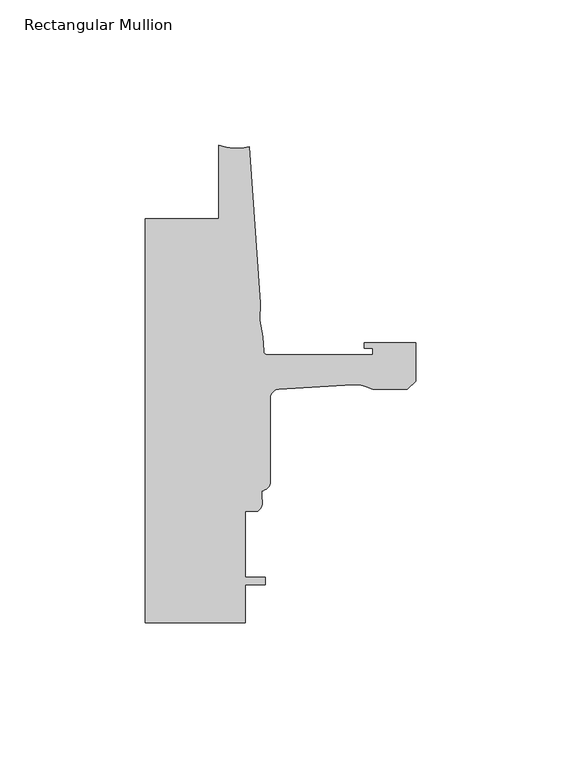
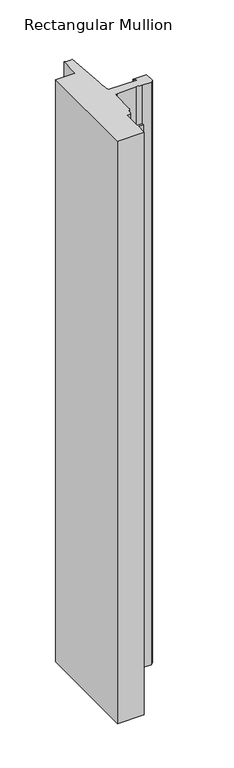
"""IFC4 building model written with IfcOpenShell, lengths in millimetres: member geometry, Rectangular Mullion."""

from ifc_helpers import new_model, si_unit, point, frame, frame_2d, origin, place, context, project, spatial, polyline, circle_curve, trimmed, segment, composite_curve, outline, extrude, source, transform, mapped, element, save


def rectangular_mullion_ab4d90e0(model_context):
    return source(origin(), model_context, "Body", "SweptSolid", [
        extrude(outline(composite_curve([segment(polyline([(-93.2286109, -25.4004525), (-67.8287241, -25.4004525), (-67.8287241, 0.0)]), True, "CONTINUOUS"), segment(trimmed(circle_curve(frame_2d((-61.5737839, 15.5330799)), 16.7451739), [point((-67.8287241, 0.0))], [point((-57.2987828, -0.6572016))], True, "CARTESIAN"), True, "CONTINUOUS"), segment(polyline([(-57.2987828, -0.6572016), (-53.5273008, -54.5916583)]), True, "CONTINUOUS"), segment(trimmed(circle_curve(frame_2d((-22.6573046, -58.220143)), 31.0825122), [point((-53.5273008, -54.5916583))], [point((-52.7218885, -66.1095894))], True, "CARTESIAN"), True, "CONTINUOUS"), segment(polyline([(-52.7218885, -66.1095894), (-52.3871825, -70.8961089)]), True, "CONTINUOUS"), segment(trimmed(circle_curve(frame_2d((-50.8668948, -70.7898)), 1.524), [point((-52.3871825, -70.8961089))], [point((-50.8668948, -72.3138))], True, "CARTESIAN"), True, "CONTINUOUS"), segment(polyline([(-50.8668948, -72.3138), (-14.783487, -72.3138), (-14.783487, -69.9769999), (-17.6377748, -69.9769999), (-17.6377748, -68.1989999), (0.0, -68.1989999), (0.0, -81.3555127), (-2.845487, -84.2009998), (-14.7368542, -84.2009998)]), True, "CONTINUOUS"), segment(trimmed(circle_curve(frame_2d((-20.8718421, -95.1826865)), 12.5791701), [point((-14.7368542, -84.2009998))], [point((-21.6202542, -82.6257999))], True, "CARTESIAN"), True, "CONTINUOUS"), segment(polyline([(-21.6202542, -82.6257999), (-47.0897067, -84.1438232)]), True, "CONTINUOUS"), segment(trimmed(circle_curve(frame_2d((-46.9265, -87.3146257)), 3.175), [point((-47.0897067, -84.1438232))], [point((-50.1015, -87.3146257))], True, "CARTESIAN"), True, "CONTINUOUS"), segment(polyline([(-50.1015, -87.3146257), (-50.1015, -116.026113)]), True, "CONTINUOUS"), segment(trimmed(circle_curve(frame_2d((-53.2765, -116.026113)), 3.175), [point((-50.1015, -116.026113))], [point((-53.0225002, -119.1909367))], False, "CARTESIAN"), True, "CONTINUOUS"), segment(polyline([(-53.0225002, -119.1909367), (-53.0225002, -121.7775425)]), True, "CONTINUOUS"), segment(trimmed(circle_curve(frame_2d((-56.4301064, -123.096956)), 3.6541253), [point((-53.0225002, -121.7775425))], [point((-54.4195002, -126.1482008))], False, "CARTESIAN"), True, "CONTINUOUS"), segment(polyline([(-54.4195002, -126.1482008), (-58.7375, -126.1482008), (-58.7375, -149.0082008), (-51.8795003, -149.0082008), (-51.8795003, -151.5482008), (-58.7375, -151.5482008), (-58.7375, -164.592), (-93.2286109, -164.592), (-93.2286109, -25.4004525)]), True, "CONTINUOUS")], self_intersect=False)), frame((0.0, 0.0, -799.0534596), z_axis=(0.0, 0.0, 1.0), x_axis=(1.0, 0.0, 0.0)), (0.0, 0.0, 1.0), 799.0534596),
    ])


if __name__ == "__main__":
    model = new_model("IFC4")
    model_context = context("Model", 3, world=origin())
    ifc_project = project(units=[si_unit("LENGTHUNIT", "METRE", prefix="MILLI")], contexts=[model_context])
    site = spatial("IfcSite", under=ifc_project)
    building = spatial("IfcBuilding", under=site)
    placement = place(None, origin())
    rectangular_mullion_shape = rectangular_mullion_ab4d90e0(model_context)
    element("IfcMember", 1, ObjectType="Rectangular Mullion", at=placement, inside=building, context=model_context, shape_type="MappedRepresentation", body=[
        mapped(rectangular_mullion_shape, transform((0.0, 0.0, 0.0), x_axis=(1.0, 0.0, 0.0), y_axis=(0.0, 1.0, 0.0), z_axis=(0.0, 0.0, 1.0))),
    ])
    save(model, "model.ifc")
